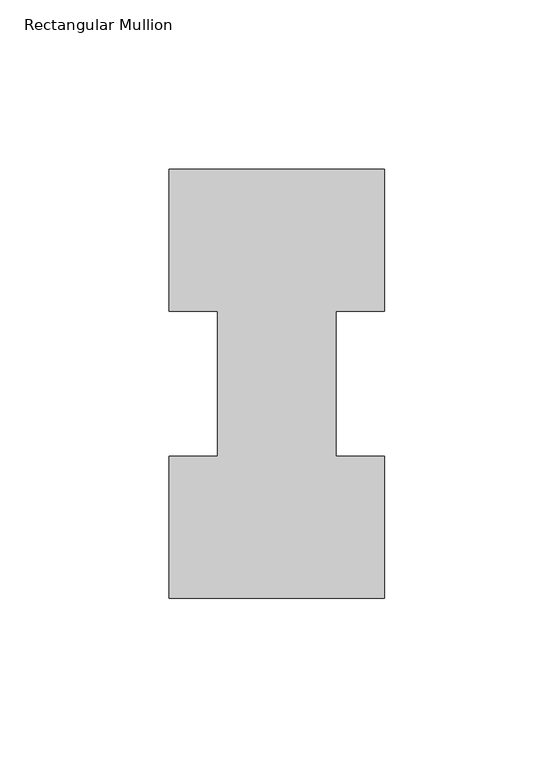
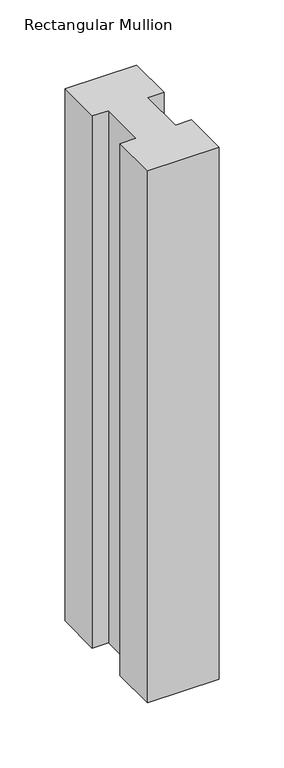
"""IFC4 building model written with IfcOpenShell, lengths in millimetres: member geometry, Rectangular Mullion."""

from ifc_helpers import new_model, si_unit, frame, origin, place, context, project, spatial, polyline, outline, extrude, source, transform, mapped, element, save


def rectangular_mullion_e28500e4(model_context):
    return source(origin(), model_context, "Body", "SweptSolid", [
        extrude(outline(polyline([(-63.5, 0.2967757), (-63.5, 42.1178757), (-49.2125, 42.1178757), (-49.2125, 84.93125), (-63.5, 84.93125), (-63.5, 126.7887757), (0.0, 126.7887757), (0.0, 84.93125), (-14.2748, 84.93125), (-14.2748, 42.1178757), (0.0, 42.1178757), (0.0, 0.2967757), (-63.5, 0.2967757)])), frame((0.0, 0.0, -498.475), z_axis=(0.0, 0.0, 1.0), x_axis=(1.0, 0.0, 0.0)), (0.0, 0.0, 1.0), 498.475),
    ])


if __name__ == "__main__":
    model = new_model("IFC4")
    model_context = context("Model", 3, world=origin())
    ifc_project = project(units=[si_unit("LENGTHUNIT", "METRE", prefix="MILLI")], contexts=[model_context])
    site = spatial("IfcSite", under=ifc_project)
    building = spatial("IfcBuilding", under=site)
    placement = place(None, origin())
    rectangular_mullion_shape = rectangular_mullion_e28500e4(model_context)
    element("IfcMember", 1, ObjectType="Rectangular Mullion", at=placement, inside=building, context=model_context, shape_type="MappedRepresentation", body=[
        mapped(rectangular_mullion_shape, transform((0.0, 0.0, 0.0), x_axis=(1.0, 0.0, 0.0), y_axis=(0.0, 1.0, 0.0), z_axis=(0.0, 0.0, 1.0))),
    ])
    save(model, "model.ifc")
